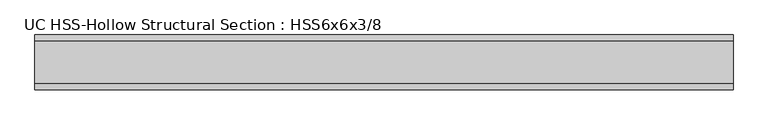
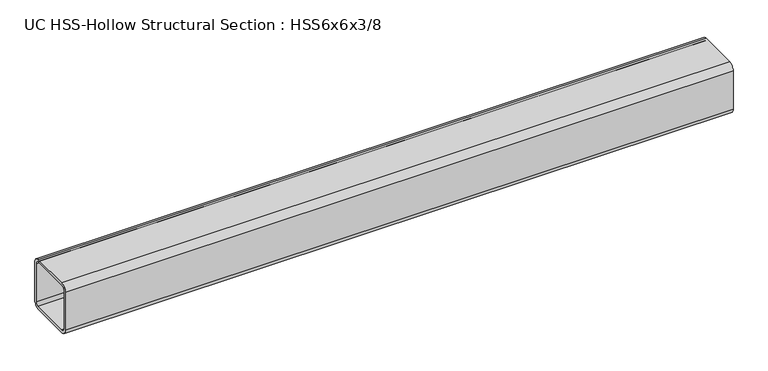
"""IFC4 building model written with IfcOpenShell, lengths in millimetres: beam geometry, UC HSS-Hollow Structural Section : HSS6x6x3/8."""

import ifcopenshell
import ifcopenshell.guid

model = None  # the IFC model being written
_history = None  # IfcOwnerHistory: only IFC2X3 demands one
_inside = {}  # id of a spatial element -> (the spatial element, [elements in it])
_under = {}  # id of a project, library or spatial element -> (it, [spatial elements below it])
_declared = {}  # id of a project -> (the project, [libraries it declares])
_typed = {}  # id of a type object -> (the type object, [elements of that type])
_made_of = {}  # id of a material, layer set ... -> (it, [elements and type objects made of it])


def new_model(schema):
    """Start an empty IFC model of exactly this schema.

    Asked for "IFC4X3", IfcOpenShell would pick the latest addendum, in which some entities
    have other attributes; the version numbers below select the first issue.
    IFC2X3 requires an IfcOwnerHistory on every rooted entity: one is made here for all.
    """
    global model, _history
    if schema == "IFC4X3":
        model = ifcopenshell.file(schema_version=(4, 3, 0, 0))
    else:
        model = ifcopenshell.file(schema=schema)
    _inside.clear()
    _under.clear()
    _declared.clear()
    _typed.clear()
    _made_of.clear()
    _history = None
    if model.schema == "IFC2X3":
        org = make("IfcOrganization", Name="unknown")
        user = make(
            "IfcPersonAndOrganization",
            ThePerson=make("IfcPerson", FamilyName="unknown"),
            TheOrganization=org,
        )
        app = make(
            "IfcApplication",
            ApplicationDeveloper=org,
            Version="unknown",
            ApplicationFullName="unknown",
            ApplicationIdentifier="unknown",
        )
        _history = make(
            "IfcOwnerHistory",
            OwningUser=user,
            OwningApplication=app,
            ChangeAction="ADDED",
            CreationDate=0,
        )
    return model


def make(cls, **values):
    """One entity of the class cls with the attributes given. An attribute that is None is left unset."""
    return model.create_entity(
        cls, **{name: value for name, value in values.items() if value is not None}
    )


def rooted(cls, **values):
    """An entity with a GlobalId (a new one), such as an element, a storey or a relation."""
    return make(cls, GlobalId=ifcopenshell.guid.new(), OwnerHistory=_history, **values)


def si_unit(unit_type, name, prefix=None):
    """IfcSIUnit, for example si_unit("LENGTHUNIT", "METRE", prefix="MILLI")."""
    return make("IfcSIUnit", UnitType=unit_type, Prefix=prefix, Name=name)


def assignment(units):
    """IfcUnitAssignment: the units of a project."""
    return None if units is None else make("IfcUnitAssignment", Units=units)


def point(xyz):
    """IfcCartesianPoint."""
    return None if xyz is None else make("IfcCartesianPoint", Coordinates=xyz)


def direction(xyz):
    """IfcDirection."""
    return None if xyz is None else make("IfcDirection", DirectionRatios=xyz)


def frame(location, z_axis=None, x_axis=None):
    """IfcAxis2Placement3D, a coordinate frame: its origin and axes. An axis left out is left unset."""
    return make(
        "IfcAxis2Placement3D",
        Location=point(location),
        Axis=direction(z_axis),
        RefDirection=direction(x_axis),
    )


def frame_2d(location, x_axis=None):
    """IfcAxis2Placement2D, a coordinate frame in the plane: its origin and x axis."""
    return make(
        "IfcAxis2Placement2D", Location=point(location), RefDirection=direction(x_axis)
    )


def origin():
    """The frame at (0, 0, 0) with its axes left unset."""
    return frame((0.0, 0.0, 0.0))


def place(relative_to, where):
    """IfcLocalPlacement: puts the frame where relative to a parent placement (None: the world)."""
    return make(
        "IfcLocalPlacement", PlacementRelTo=relative_to, RelativePlacement=where
    )


def context(
    kind, dimensions, precision=None, world=None, true_north=None, identifier=None
):
    """IfcGeometricRepresentationContext, for example the 3D "Model" context."""
    return make(
        "IfcGeometricRepresentationContext",
        ContextIdentifier=identifier,
        ContextType=kind,
        CoordinateSpaceDimension=dimensions,
        Precision=precision,
        WorldCoordinateSystem=world,
        TrueNorth=true_north,
    )


def project(units=None, contexts=None):
    """IfcProject with its units and contexts."""
    return rooted(
        "IfcProject",
        Name="project",
        RepresentationContexts=contexts,
        UnitsInContext=assignment(units),
    )


def spatial(cls, under=None, at=None, **own):
    """A site, building, storey or space (cls), placed at a placement, below another one or the project."""
    s = rooted(cls, ObjectPlacement=at, **own)
    if under is not None:
        _under.setdefault(under.id(), (under, []))[1].append(s)
    return s


def polyline(points):
    """IfcPolyline through the points."""
    return make("IfcPolyline", Points=[point(p) for p in points])


def circle_curve(where, radius):
    """IfcCircle in the frame where."""
    return make("IfcCircle", Position=where, Radius=radius)


def trimmed(basis, trim1, trim2, sense, master):
    """IfcTrimmedCurve: the piece of a basis curve between two trims."""
    return make(
        "IfcTrimmedCurve",
        BasisCurve=basis,
        Trim1=trim1,
        Trim2=trim2,
        SenseAgreement=sense,
        MasterRepresentation=master,
    )


def segment(curve, same_sense, transition):
    """IfcCompositeCurveSegment."""
    return make(
        "IfcCompositeCurveSegment",
        Transition=transition,
        SameSense=same_sense,
        ParentCurve=curve,
    )


def composite_curve(segments, self_intersect=None):
    """IfcCompositeCurve: segments joined end to end."""
    return make("IfcCompositeCurve", Segments=segments, SelfIntersect=self_intersect)


def outline(outer, holes=None, kind="AREA"):
    """IfcArbitraryClosedProfileDef: a profile drawn as a closed curve; with holes, ...WithVoids."""
    if holes is None:
        return make("IfcArbitraryClosedProfileDef", ProfileType=kind, OuterCurve=outer)
    return make(
        "IfcArbitraryProfileDefWithVoids",
        ProfileType=kind,
        OuterCurve=outer,
        InnerCurves=holes,
    )


def extrude(swept, where, along, depth):
    """IfcExtrudedAreaSolid: the profile swept, set in the frame where, extruded along a direction by depth."""
    return make(
        "IfcExtrudedAreaSolid",
        SweptArea=swept,
        Position=where,
        ExtrudedDirection=direction(along),
        Depth=depth,
    )


def shape(context_of_items, identifier, shape_type, items):
    """IfcShapeRepresentation: the items that make up one representation, for example the "Body"."""
    return make(
        "IfcShapeRepresentation",
        ContextOfItems=context_of_items,
        RepresentationIdentifier=identifier,
        RepresentationType=shape_type,
        Items=items,
    )


def source(mapping_origin, context_of_items, identifier, shape_type, items):
    """IfcRepresentationMap: a shape defined once, which mapped items show again and again."""
    return make(
        "IfcRepresentationMap",
        MappingOrigin=mapping_origin,
        MappedRepresentation=shape(context_of_items, identifier, shape_type, items),
    )


def transform(
    local_origin,
    x_axis=None,
    y_axis=None,
    z_axis=None,
    scale=None,
    scale2=None,
    scale3=None,
    uniform=True,
):
    """IfcCartesianTransformationOperator3D, or its non-uniform kind. x_axis, y_axis, z_axis: its Axis1, 2, 3."""
    if uniform:
        return make(
            "IfcCartesianTransformationOperator3D",
            Axis1=direction(x_axis),
            Axis2=direction(y_axis),
            LocalOrigin=point(local_origin),
            Scale=scale,
            Axis3=direction(z_axis),
        )
    return make(
        "IfcCartesianTransformationOperator3DnonUniform",
        Axis1=direction(x_axis),
        Axis2=direction(y_axis),
        LocalOrigin=point(local_origin),
        Scale=scale,
        Axis3=direction(z_axis),
        Scale2=scale2,
        Scale3=scale3,
    )


def mapped(mapping_source, mapping_target):
    """IfcMappedItem: shows the shape of a source again, moved by a transform."""
    return make(
        "IfcMappedItem", MappingSource=mapping_source, MappingTarget=mapping_target
    )


def made_of(thing, what):
    """Note that an element or type object is made of a material, layer set ...; save() writes the relation."""
    if what is not None:
        _made_of.setdefault(what.id(), (what, []))[1].append(thing)
    return thing


def element(
    cls,
    number,
    at=None,
    inside=None,
    cuts=None,
    type_object=None,
    material=None,
    context=None,
    identifier="Body",
    shape_type=None,
    held_by="IfcProductDefinitionShape",
    body=None,
    shapes=None,
    **own,
):
    """One element of the class cls, such as IfcWall. Its Tag is "e" and its number.

    at: its placement. inside: the storey or other place that contains it. cuts: it is an
    opening in that element (IfcRelVoidsElement). A single representation is given by context,
    identifier, shape_type and body (its items); several are given by shapes. held_by: the class
    of the entity that holds the representations. save() writes the other relations.
    """
    e = rooted(cls, Tag="e%d" % number, ObjectPlacement=at, **own)
    if body is not None:
        shapes = [shape(context, identifier, shape_type, body)]
    if shapes is not None:
        e.Representation = make(held_by, Representations=shapes)
    if inside is not None:
        _inside.setdefault(inside.id(), (inside, []))[1].append(e)
    if cuts is not None:
        rooted(
            "IfcRelVoidsElement", RelatingBuildingElement=cuts, RelatedOpeningElement=e
        )
    if type_object is not None:
        _typed.setdefault(type_object.id(), (type_object, []))[1].append(e)
    return made_of(e, material)


def aggregate(whole, parts):
    """IfcRelAggregates: a whole, such as a stair, and the parts it consists of."""
    return rooted("IfcRelAggregates", RelatingObject=whole, RelatedObjects=parts)


def save(model, path):
    """Write the relations noted so far, then the file.

    IfcRelAggregates (storeys below a building ...), IfcRelContainedInSpatialStructure (elements
    in a storey), IfcRelDefinesByType, IfcRelAssociatesMaterial and IfcRelDeclares: one each for
    every whole, place, type object, material and project.
    """
    for whole, parts in _under.values():
        aggregate(whole, parts)
    for where, things in _inside.values():
        rooted(
            "IfcRelContainedInSpatialStructure",
            RelatedElements=things,
            RelatingStructure=where,
        )
    for kind, things in _typed.values():
        rooted("IfcRelDefinesByType", RelatedObjects=things, RelatingType=kind)
    for what, things in _made_of.values():
        rooted("IfcRelAssociatesMaterial", RelatedObjects=things, RelatingMaterial=what)
    for by, libraries in _declared.values():
        rooted("IfcRelDeclares", RelatingContext=by, RelatedDefinitions=libraries)
    model.write(path)


def uc_hss_hollow_structural_section_hss6x6x3_8_ab065a6f(model_context):
    return source(origin(), model_context, "Body", "SweptSolid", [
        extrude(outline(composite_curve([segment(trimmed(circle_curve(frame_2d((-58.4708, 58.4708)), 17.7292), [point((-76.2, 58.4708))], [point((-58.4708, 76.2))], False, "CARTESIAN"), True, "CONTINUOUS"), segment(polyline([(-58.4708, 76.2), (58.4708, 76.2)]), True, "CONTINUOUS"), segment(trimmed(circle_curve(frame_2d((58.4708, 58.4708)), 17.7292), [point((58.4708, 76.2))], [point((76.2, 58.4708))], False, "CARTESIAN"), True, "CONTINUOUS"), segment(polyline([(76.2, 58.4708), (76.2, -58.4708)]), True, "CONTINUOUS"), segment(trimmed(circle_curve(frame_2d((58.4708, -58.4708)), 17.7292), [point((76.2, -58.4708))], [point((58.4708, -76.2))], False, "CARTESIAN"), True, "CONTINUOUS"), segment(polyline([(58.4708, -76.2), (-58.4708, -76.2)]), True, "CONTINUOUS"), segment(trimmed(circle_curve(frame_2d((-58.4708, -58.4708)), 17.7292), [point((-58.4708, -76.2))], [point((-76.2, -58.4708))], False, "CARTESIAN"), True, "CONTINUOUS"), segment(polyline([(-76.2, -58.4708), (-76.2, 58.4708)]), True, "CONTINUOUS")], self_intersect=False), holes=[composite_curve([segment(polyline([(58.4708, 67.3354), (-58.4708, 67.3354)]), True, "CONTINUOUS"), segment(trimmed(circle_curve(frame_2d((-58.4708, 58.4708)), 8.8646), [point((-58.4708, 67.3354))], [point((-67.3354, 58.4708))], True, "CARTESIAN"), True, "CONTINUOUS"), segment(polyline([(-67.3354, 58.4708), (-67.3354, -58.4708)]), True, "CONTINUOUS"), segment(trimmed(circle_curve(frame_2d((-58.4708, -58.4708)), 8.8646), [point((-67.3354, -58.4708))], [point((-58.4708, -67.3354))], True, "CARTESIAN"), True, "CONTINUOUS"), segment(polyline([(-58.4708, -67.3354), (58.4708, -67.3354)]), True, "CONTINUOUS"), segment(trimmed(circle_curve(frame_2d((58.4708, -58.4708)), 8.8646), [point((58.4708, -67.3354))], [point((67.3354, -58.4708))], True, "CARTESIAN"), True, "CONTINUOUS"), segment(polyline([(67.3354, -58.4708), (67.3354, 58.4708)]), True, "CONTINUOUS"), segment(trimmed(circle_curve(frame_2d((58.4708, 58.4708)), 8.8646), [point((67.3354, 58.4708))], [point((58.4708, 67.3354))], True, "CARTESIAN"), True, "CONTINUOUS")], self_intersect=False)]), frame((-899.860136, 0.0, 0.0), z_axis=(1.0, 0.0, 0.0), x_axis=(0.0, 1.0, 0.0)), (0.0, 0.0, 1.0), 1933.1140315),
    ])


if __name__ == "__main__":
    model = new_model("IFC4")
    model_context = context("Model", 3, world=origin())
    ifc_project = project(units=[si_unit("LENGTHUNIT", "METRE", prefix="MILLI")], contexts=[model_context])
    site = spatial("IfcSite", under=ifc_project)
    building = spatial("IfcBuilding", under=site)
    placement = place(None, origin())
    uc_hss_hollow_structural_section_hss6x6x3_8_shape = uc_hss_hollow_structural_section_hss6x6x3_8_ab065a6f(model_context)
    element("IfcBeam", 1, ObjectType="UC HSS-Hollow Structural Section : HSS6x6x3/8", at=placement, inside=building, context=model_context, shape_type="MappedRepresentation", body=[
        mapped(uc_hss_hollow_structural_section_hss6x6x3_8_shape, transform((0.0, 0.0, 0.0), x_axis=(1.0, 0.0, 0.0), y_axis=(0.0, 1.0, 0.0), z_axis=(0.0, 0.0, 1.0))),
    ])
    save(model, "model.ifc")
